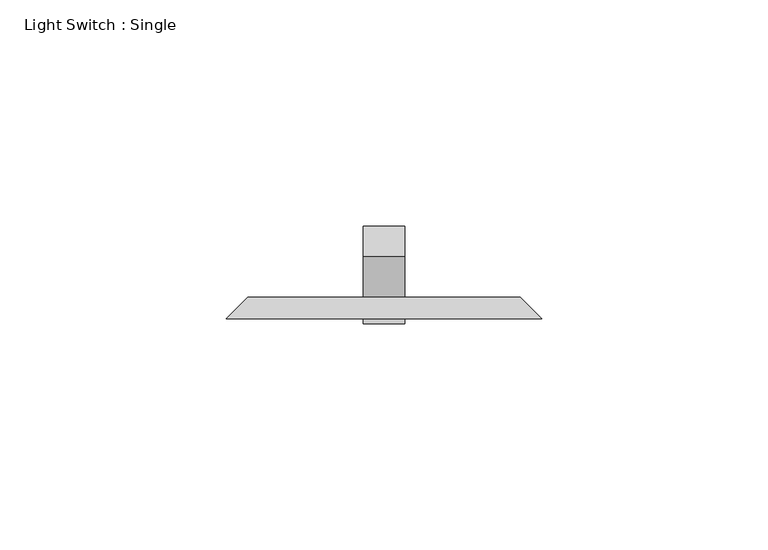
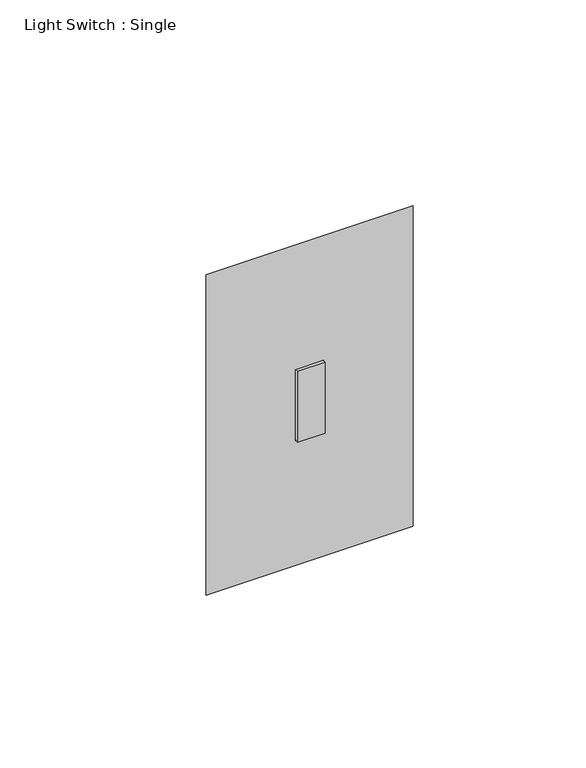
"""IFC4 building model written with IfcOpenShell, lengths in millimetres: proxy geometry, Light Switch : Single."""

import ifcopenshell
import ifcopenshell.guid

model = None  # the IFC model being written
_history = None  # IfcOwnerHistory: only IFC2X3 demands one
_inside = {}  # id of a spatial element -> (the spatial element, [elements in it])
_under = {}  # id of a project, library or spatial element -> (it, [spatial elements below it])
_declared = {}  # id of a project -> (the project, [libraries it declares])
_typed = {}  # id of a type object -> (the type object, [elements of that type])
_made_of = {}  # id of a material, layer set ... -> (it, [elements and type objects made of it])


def new_model(schema):
    """Start an empty IFC model of exactly this schema.

    Asked for "IFC4X3", IfcOpenShell would pick the latest addendum, in which some entities
    have other attributes; the version numbers below select the first issue.
    IFC2X3 requires an IfcOwnerHistory on every rooted entity: one is made here for all.
    """
    global model, _history
    if schema == "IFC4X3":
        model = ifcopenshell.file(schema_version=(4, 3, 0, 0))
    else:
        model = ifcopenshell.file(schema=schema)
    _inside.clear()
    _under.clear()
    _declared.clear()
    _typed.clear()
    _made_of.clear()
    _history = None
    if model.schema == "IFC2X3":
        org = make("IfcOrganization", Name="unknown")
        user = make(
            "IfcPersonAndOrganization",
            ThePerson=make("IfcPerson", FamilyName="unknown"),
            TheOrganization=org,
        )
        app = make(
            "IfcApplication",
            ApplicationDeveloper=org,
            Version="unknown",
            ApplicationFullName="unknown",
            ApplicationIdentifier="unknown",
        )
        _history = make(
            "IfcOwnerHistory",
            OwningUser=user,
            OwningApplication=app,
            ChangeAction="ADDED",
            CreationDate=0,
        )
    return model


def make(cls, **values):
    """One entity of the class cls with the attributes given. An attribute that is None is left unset."""
    return model.create_entity(
        cls, **{name: value for name, value in values.items() if value is not None}
    )


def rooted(cls, **values):
    """An entity with a GlobalId (a new one), such as an element, a storey or a relation."""
    return make(cls, GlobalId=ifcopenshell.guid.new(), OwnerHistory=_history, **values)


def si_unit(unit_type, name, prefix=None):
    """IfcSIUnit, for example si_unit("LENGTHUNIT", "METRE", prefix="MILLI")."""
    return make("IfcSIUnit", UnitType=unit_type, Prefix=prefix, Name=name)


def assignment(units):
    """IfcUnitAssignment: the units of a project."""
    return None if units is None else make("IfcUnitAssignment", Units=units)


def point(xyz):
    """IfcCartesianPoint."""
    return None if xyz is None else make("IfcCartesianPoint", Coordinates=xyz)


def direction(xyz):
    """IfcDirection."""
    return None if xyz is None else make("IfcDirection", DirectionRatios=xyz)


def frame(location, z_axis=None, x_axis=None):
    """IfcAxis2Placement3D, a coordinate frame: its origin and axes. An axis left out is left unset."""
    return make(
        "IfcAxis2Placement3D",
        Location=point(location),
        Axis=direction(z_axis),
        RefDirection=direction(x_axis),
    )


def origin():
    """The frame at (0, 0, 0) with its axes left unset."""
    return frame((0.0, 0.0, 0.0))


def place(relative_to, where):
    """IfcLocalPlacement: puts the frame where relative to a parent placement (None: the world)."""
    return make(
        "IfcLocalPlacement", PlacementRelTo=relative_to, RelativePlacement=where
    )


def context(
    kind, dimensions, precision=None, world=None, true_north=None, identifier=None
):
    """IfcGeometricRepresentationContext, for example the 3D "Model" context."""
    return make(
        "IfcGeometricRepresentationContext",
        ContextIdentifier=identifier,
        ContextType=kind,
        CoordinateSpaceDimension=dimensions,
        Precision=precision,
        WorldCoordinateSystem=world,
        TrueNorth=true_north,
    )


def project(units=None, contexts=None):
    """IfcProject with its units and contexts."""
    return rooted(
        "IfcProject",
        Name="project",
        RepresentationContexts=contexts,
        UnitsInContext=assignment(units),
    )


def spatial(cls, under=None, at=None, **own):
    """A site, building, storey or space (cls), placed at a placement, below another one or the project."""
    s = rooted(cls, ObjectPlacement=at, **own)
    if under is not None:
        _under.setdefault(under.id(), (under, []))[1].append(s)
    return s


def polyline(points):
    """IfcPolyline through the points."""
    return make("IfcPolyline", Points=[point(p) for p in points])


def outline(outer, holes=None, kind="AREA"):
    """IfcArbitraryClosedProfileDef: a profile drawn as a closed curve; with holes, ...WithVoids."""
    if holes is None:
        return make("IfcArbitraryClosedProfileDef", ProfileType=kind, OuterCurve=outer)
    return make(
        "IfcArbitraryProfileDefWithVoids",
        ProfileType=kind,
        OuterCurve=outer,
        InnerCurves=holes,
    )


def extrude(swept, where, along, depth):
    """IfcExtrudedAreaSolid: the profile swept, set in the frame where, extruded along a direction by depth."""
    return make(
        "IfcExtrudedAreaSolid",
        SweptArea=swept,
        Position=where,
        ExtrudedDirection=direction(along),
        Depth=depth,
    )


def faces_of(points, faces, orient=None, outer=None):
    """IfcFace entities. A face is a list of loops; a loop is a list of indices into points, from 0.

    orient and outer hold one flag for each loop. By default every Orientation is true, the
    first loop of a face is its IfcFaceOuterBound and the others are IfcFaceBound.
    """
    made = []
    for i, loops in enumerate(faces):
        bounds = []
        for j, loop in enumerate(loops):
            is_outer = j == 0 if outer is None else outer[i][j]
            bounds.append(
                make(
                    "IfcFaceOuterBound" if is_outer else "IfcFaceBound",
                    Bound=make("IfcPolyLoop", Polygon=[points[k] for k in loop]),
                    Orientation=True if orient is None else orient[i][j],
                )
            )
        made.append(make("IfcFace", Bounds=bounds))
    return made


def faceted_brep(points, faces, orient=None, outer=None, voids=None):
    """IfcFacetedBrep: a solid bounded by flat faces; with voids (closed shells), ...WithVoids."""
    shared = [point(p) for p in points]
    hull = make("IfcClosedShell", CfsFaces=faces_of(shared, faces, orient, outer))
    if voids is None:
        return make("IfcFacetedBrep", Outer=hull)
    return make(
        "IfcFacetedBrepWithVoids",
        Outer=hull,
        Voids=[
            make(cls, CfsFaces=faces_of(shared, fs, o, b)) for cls, fs, o, b in voids
        ],
    )


def shape(context_of_items, identifier, shape_type, items):
    """IfcShapeRepresentation: the items that make up one representation, for example the "Body"."""
    return make(
        "IfcShapeRepresentation",
        ContextOfItems=context_of_items,
        RepresentationIdentifier=identifier,
        RepresentationType=shape_type,
        Items=items,
    )


def source(mapping_origin, context_of_items, identifier, shape_type, items):
    """IfcRepresentationMap: a shape defined once, which mapped items show again and again."""
    return make(
        "IfcRepresentationMap",
        MappingOrigin=mapping_origin,
        MappedRepresentation=shape(context_of_items, identifier, shape_type, items),
    )


def transform(
    local_origin,
    x_axis=None,
    y_axis=None,
    z_axis=None,
    scale=None,
    scale2=None,
    scale3=None,
    uniform=True,
):
    """IfcCartesianTransformationOperator3D, or its non-uniform kind. x_axis, y_axis, z_axis: its Axis1, 2, 3."""
    if uniform:
        return make(
            "IfcCartesianTransformationOperator3D",
            Axis1=direction(x_axis),
            Axis2=direction(y_axis),
            LocalOrigin=point(local_origin),
            Scale=scale,
            Axis3=direction(z_axis),
        )
    return make(
        "IfcCartesianTransformationOperator3DnonUniform",
        Axis1=direction(x_axis),
        Axis2=direction(y_axis),
        LocalOrigin=point(local_origin),
        Scale=scale,
        Axis3=direction(z_axis),
        Scale2=scale2,
        Scale3=scale3,
    )


def mapped(mapping_source, mapping_target):
    """IfcMappedItem: shows the shape of a source again, moved by a transform."""
    return make(
        "IfcMappedItem", MappingSource=mapping_source, MappingTarget=mapping_target
    )


def made_of(thing, what):
    """Note that an element or type object is made of a material, layer set ...; save() writes the relation."""
    if what is not None:
        _made_of.setdefault(what.id(), (what, []))[1].append(thing)
    return thing


def element(
    cls,
    number,
    at=None,
    inside=None,
    cuts=None,
    type_object=None,
    material=None,
    context=None,
    identifier="Body",
    shape_type=None,
    held_by="IfcProductDefinitionShape",
    body=None,
    shapes=None,
    **own,
):
    """One element of the class cls, such as IfcWall. Its Tag is "e" and its number.

    at: its placement. inside: the storey or other place that contains it. cuts: it is an
    opening in that element (IfcRelVoidsElement). A single representation is given by context,
    identifier, shape_type and body (its items); several are given by shapes. held_by: the class
    of the entity that holds the representations. save() writes the other relations.
    """
    e = rooted(cls, Tag="e%d" % number, ObjectPlacement=at, **own)
    if body is not None:
        shapes = [shape(context, identifier, shape_type, body)]
    if shapes is not None:
        e.Representation = make(held_by, Representations=shapes)
    if inside is not None:
        _inside.setdefault(inside.id(), (inside, []))[1].append(e)
    if cuts is not None:
        rooted(
            "IfcRelVoidsElement", RelatingBuildingElement=cuts, RelatedOpeningElement=e
        )
    if type_object is not None:
        _typed.setdefault(type_object.id(), (type_object, []))[1].append(e)
    return made_of(e, material)


def aggregate(whole, parts):
    """IfcRelAggregates: a whole, such as a stair, and the parts it consists of."""
    return rooted("IfcRelAggregates", RelatingObject=whole, RelatedObjects=parts)


def save(model, path):
    """Write the relations noted so far, then the file.

    IfcRelAggregates (storeys below a building ...), IfcRelContainedInSpatialStructure (elements
    in a storey), IfcRelDefinesByType, IfcRelAssociatesMaterial and IfcRelDeclares: one each for
    every whole, place, type object, material and project.
    """
    for whole, parts in _under.values():
        aggregate(whole, parts)
    for where, things in _inside.values():
        rooted(
            "IfcRelContainedInSpatialStructure",
            RelatedElements=things,
            RelatingStructure=where,
        )
    for kind, things in _typed.values():
        rooted("IfcRelDefinesByType", RelatedObjects=things, RelatingType=kind)
    for what, things in _made_of.values():
        rooted("IfcRelAssociatesMaterial", RelatedObjects=things, RelatingMaterial=what)
    for by, libraries in _declared.values():
        rooted("IfcRelDeclares", RelatingContext=by, RelatedDefinitions=libraries)
    model.write(path)


def light_switch_single_a69fdd80(model_context):
    return source(origin(), model_context, "Body", "SolidModel", [
        faceted_brep([(-30.1625, 68.2625, 357.1875), (30.1625, 68.2625, 357.1875), (30.1625, 68.2625, 252.4125), (-30.1625, 68.2625, 252.4125), (-4.7625, 68.2625, 317.5), (-4.7625, 68.2625, 292.1), (4.7625, 68.2625, 292.1), (4.7625, 68.2625, 317.5), (-34.925, 63.5, 361.95), (-34.925, 63.5, 247.65), (34.925, 63.5, 247.65), (34.925, 63.5, 361.95), (-4.7625, 63.5, 292.1), (-4.7625, 63.5, 317.5), (4.7625, 63.5, 317.5), (4.7625, 63.5, 292.1)], [[[0, 1, 2, 3], [4, 5, 6, 7]], [[8, 9, 10, 11], [12, 13, 14, 15]], [[1, 0, 8, 11]], [[2, 1, 11, 10]], [[3, 2, 10, 9]], [[0, 3, 9, 8]], [[4, 13, 12, 5]], [[5, 12, 15, 6]], [[6, 15, 14, 7]], [[13, 4, 7, 14]]]),
        extrude(outline(polyline([(77.2427561, 325.4978515), (83.9779482, 318.7626595), (68.2625, 303.0472112), (68.2625, 294.247253), (67.0227829, 292.1), (62.4108809, 292.1), (62.4108809, 317.5), (67.2800954, 317.5), (68.2625, 316.5175954), (77.2427561, 325.4978515)])), frame((-4.6077278, 0.0, 0.0), z_axis=(1.0, 0.0, 0.0), x_axis=(0.0, 1.0, 0.0)), (0.0, 0.0, 1.0), 9.2225805),
    ])


if __name__ == "__main__":
    model = new_model("IFC4")
    model_context = context("Model", 3, world=origin())
    ifc_project = project(units=[si_unit("LENGTHUNIT", "METRE", prefix="MILLI")], contexts=[model_context])
    site = spatial("IfcSite", under=ifc_project)
    building = spatial("IfcBuilding", under=site)
    placement = place(None, origin())
    light_switch_single_shape = light_switch_single_a69fdd80(model_context)
    element("IfcBuildingElementProxy", 1, Name="Light Switch : Single", ObjectType="Light Switch : Single", at=placement, inside=building, context=model_context, shape_type="MappedRepresentation", body=[
        mapped(light_switch_single_shape, transform((0.0, 0.0, 0.0), x_axis=(1.0, 0.0, 0.0), y_axis=(0.0, 1.0, 0.0), z_axis=(0.0, 0.0, 1.0))),
    ])
    save(model, "model.ifc")
